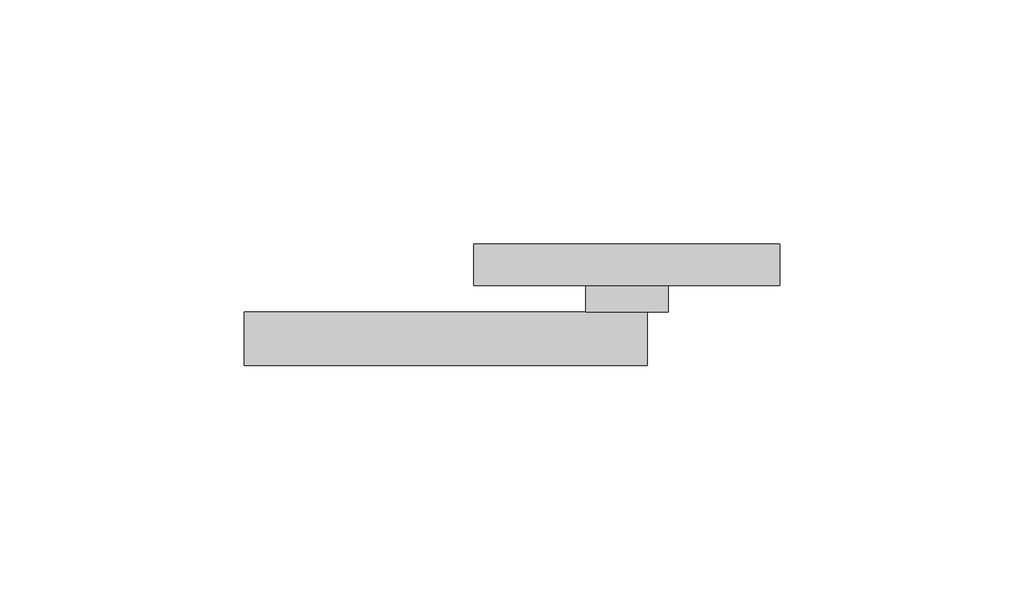
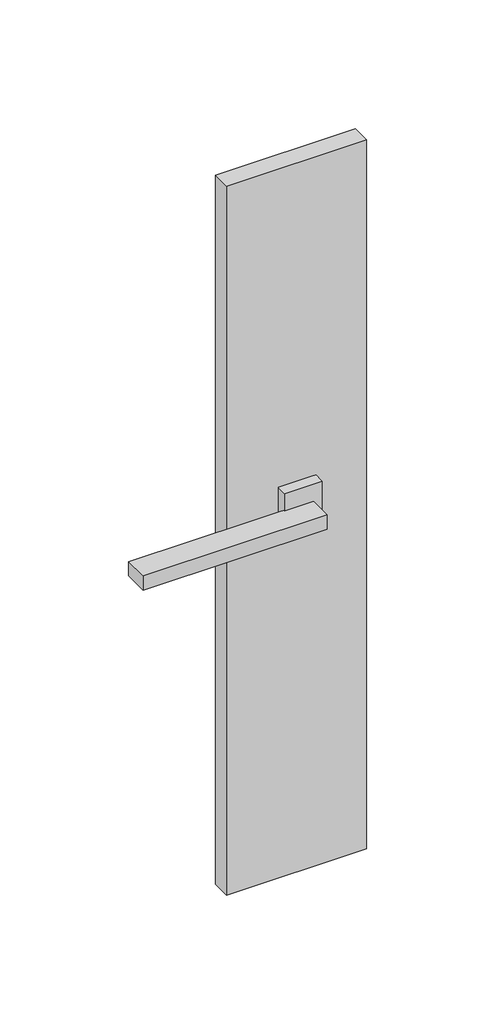
# One storey, part 2 of 2: 3 proxies.
"""IFC4 building model written with IfcOpenShell, lengths in millimetres."""

import ifcopenshell
import ifcopenshell.guid

model = None  # the IFC model being written
_history = None  # IfcOwnerHistory: only IFC2X3 demands one
_inside = {}  # id of a spatial element -> (the spatial element, [elements in it])
_under = {}  # id of a project, library or spatial element -> (it, [spatial elements below it])
_declared = {}  # id of a project -> (the project, [libraries it declares])
_typed = {}  # id of a type object -> (the type object, [elements of that type])
_made_of = {}  # id of a material, layer set ... -> (it, [elements and type objects made of it])


def new_model(schema):
    """Start an empty IFC model of exactly this schema.

    Asked for "IFC4X3", IfcOpenShell would pick the latest addendum, in which some entities
    have other attributes; the version numbers below select the first issue.
    IFC2X3 requires an IfcOwnerHistory on every rooted entity: one is made here for all.
    """
    global model, _history
    if schema == "IFC4X3":
        model = ifcopenshell.file(schema_version=(4, 3, 0, 0))
    else:
        model = ifcopenshell.file(schema=schema)
    _inside.clear()
    _under.clear()
    _declared.clear()
    _typed.clear()
    _made_of.clear()
    _history = None
    if model.schema == "IFC2X3":
        org = make("IfcOrganization", Name="unknown")
        user = make(
            "IfcPersonAndOrganization",
            ThePerson=make("IfcPerson", FamilyName="unknown"),
            TheOrganization=org,
        )
        app = make(
            "IfcApplication",
            ApplicationDeveloper=org,
            Version="unknown",
            ApplicationFullName="unknown",
            ApplicationIdentifier="unknown",
        )
        _history = make(
            "IfcOwnerHistory",
            OwningUser=user,
            OwningApplication=app,
            ChangeAction="ADDED",
            CreationDate=0,
        )
    return model


def make(cls, **values):
    """One entity of the class cls with the attributes given. An attribute that is None is left unset."""
    return model.create_entity(
        cls, **{name: value for name, value in values.items() if value is not None}
    )


def rooted(cls, **values):
    """An entity with a GlobalId (a new one), such as an element, a storey or a relation."""
    return make(cls, GlobalId=ifcopenshell.guid.new(), OwnerHistory=_history, **values)


def si_unit(unit_type, name, prefix=None):
    """IfcSIUnit, for example si_unit("LENGTHUNIT", "METRE", prefix="MILLI")."""
    return make("IfcSIUnit", UnitType=unit_type, Prefix=prefix, Name=name)


def assignment(units):
    """IfcUnitAssignment: the units of a project."""
    return None if units is None else make("IfcUnitAssignment", Units=units)


def point(xyz):
    """IfcCartesianPoint."""
    return None if xyz is None else make("IfcCartesianPoint", Coordinates=xyz)


def direction(xyz):
    """IfcDirection."""
    return None if xyz is None else make("IfcDirection", DirectionRatios=xyz)


def frame(location, z_axis=None, x_axis=None):
    """IfcAxis2Placement3D, a coordinate frame: its origin and axes. An axis left out is left unset."""
    return make(
        "IfcAxis2Placement3D",
        Location=point(location),
        Axis=direction(z_axis),
        RefDirection=direction(x_axis),
    )


def origin():
    """The frame at (0, 0, 0) with its axes left unset."""
    return frame((0.0, 0.0, 0.0))


def place(relative_to, where):
    """IfcLocalPlacement: puts the frame where relative to a parent placement (None: the world)."""
    return make(
        "IfcLocalPlacement", PlacementRelTo=relative_to, RelativePlacement=where
    )


def context(
    kind, dimensions, precision=None, world=None, true_north=None, identifier=None
):
    """IfcGeometricRepresentationContext, for example the 3D "Model" context."""
    return make(
        "IfcGeometricRepresentationContext",
        ContextIdentifier=identifier,
        ContextType=kind,
        CoordinateSpaceDimension=dimensions,
        Precision=precision,
        WorldCoordinateSystem=world,
        TrueNorth=true_north,
    )


def project(units=None, contexts=None):
    """IfcProject with its units and contexts."""
    return rooted(
        "IfcProject",
        Name="project",
        RepresentationContexts=contexts,
        UnitsInContext=assignment(units),
    )


def spatial(cls, under=None, at=None, **own):
    """A site, building, storey or space (cls), placed at a placement, below another one or the project."""
    s = rooted(cls, ObjectPlacement=at, **own)
    if under is not None:
        _under.setdefault(under.id(), (under, []))[1].append(s)
    return s


def polyline(points):
    """IfcPolyline through the points."""
    return make("IfcPolyline", Points=[point(p) for p in points])


def outline(outer, holes=None, kind="AREA"):
    """IfcArbitraryClosedProfileDef: a profile drawn as a closed curve; with holes, ...WithVoids."""
    if holes is None:
        return make("IfcArbitraryClosedProfileDef", ProfileType=kind, OuterCurve=outer)
    return make(
        "IfcArbitraryProfileDefWithVoids",
        ProfileType=kind,
        OuterCurve=outer,
        InnerCurves=holes,
    )


def extrude(swept, where, along, depth):
    """IfcExtrudedAreaSolid: the profile swept, set in the frame where, extruded along a direction by depth."""
    return make(
        "IfcExtrudedAreaSolid",
        SweptArea=swept,
        Position=where,
        ExtrudedDirection=direction(along),
        Depth=depth,
    )


def shape(context_of_items, identifier, shape_type, items):
    """IfcShapeRepresentation: the items that make up one representation, for example the "Body"."""
    return make(
        "IfcShapeRepresentation",
        ContextOfItems=context_of_items,
        RepresentationIdentifier=identifier,
        RepresentationType=shape_type,
        Items=items,
    )


def source(mapping_origin, context_of_items, identifier, shape_type, items):
    """IfcRepresentationMap: a shape defined once, which mapped items show again and again."""
    return make(
        "IfcRepresentationMap",
        MappingOrigin=mapping_origin,
        MappedRepresentation=shape(context_of_items, identifier, shape_type, items),
    )


def transform(
    local_origin,
    x_axis=None,
    y_axis=None,
    z_axis=None,
    scale=None,
    scale2=None,
    scale3=None,
    uniform=True,
):
    """IfcCartesianTransformationOperator3D, or its non-uniform kind. x_axis, y_axis, z_axis: its Axis1, 2, 3."""
    if uniform:
        return make(
            "IfcCartesianTransformationOperator3D",
            Axis1=direction(x_axis),
            Axis2=direction(y_axis),
            LocalOrigin=point(local_origin),
            Scale=scale,
            Axis3=direction(z_axis),
        )
    return make(
        "IfcCartesianTransformationOperator3DnonUniform",
        Axis1=direction(x_axis),
        Axis2=direction(y_axis),
        LocalOrigin=point(local_origin),
        Scale=scale,
        Axis3=direction(z_axis),
        Scale2=scale2,
        Scale3=scale3,
    )


def mapped(mapping_source, mapping_target):
    """IfcMappedItem: shows the shape of a source again, moved by a transform."""
    return make(
        "IfcMappedItem", MappingSource=mapping_source, MappingTarget=mapping_target
    )


def made_of(thing, what):
    """Note that an element or type object is made of a material, layer set ...; save() writes the relation."""
    if what is not None:
        _made_of.setdefault(what.id(), (what, []))[1].append(thing)
    return thing


def element(
    cls,
    number,
    at=None,
    inside=None,
    cuts=None,
    type_object=None,
    material=None,
    context=None,
    identifier="Body",
    shape_type=None,
    held_by="IfcProductDefinitionShape",
    body=None,
    shapes=None,
    **own,
):
    """One element of the class cls, such as IfcWall. Its Tag is "e" and its number.

    at: its placement. inside: the storey or other place that contains it. cuts: it is an
    opening in that element (IfcRelVoidsElement). A single representation is given by context,
    identifier, shape_type and body (its items); several are given by shapes. held_by: the class
    of the entity that holds the representations. save() writes the other relations.
    """
    e = rooted(cls, Tag="e%d" % number, ObjectPlacement=at, **own)
    if body is not None:
        shapes = [shape(context, identifier, shape_type, body)]
    if shapes is not None:
        e.Representation = make(held_by, Representations=shapes)
    if inside is not None:
        _inside.setdefault(inside.id(), (inside, []))[1].append(e)
    if cuts is not None:
        rooted(
            "IfcRelVoidsElement", RelatingBuildingElement=cuts, RelatedOpeningElement=e
        )
    if type_object is not None:
        _typed.setdefault(type_object.id(), (type_object, []))[1].append(e)
    return made_of(e, material)


def aggregate(whole, parts):
    """IfcRelAggregates: a whole, such as a stair, and the parts it consists of."""
    return rooted("IfcRelAggregates", RelatingObject=whole, RelatedObjects=parts)


def save(model, path):
    """Write the relations noted so far, then the file.

    IfcRelAggregates (storeys below a building ...), IfcRelContainedInSpatialStructure (elements
    in a storey), IfcRelDefinesByType, IfcRelAssociatesMaterial and IfcRelDeclares: one each for
    every whole, place, type object, material and project.
    """
    for whole, parts in _under.values():
        aggregate(whole, parts)
    for where, things in _inside.values():
        rooted(
            "IfcRelContainedInSpatialStructure",
            RelatedElements=things,
            RelatingStructure=where,
        )
    for kind, things in _typed.values():
        rooted("IfcRelDefinesByType", RelatedObjects=things, RelatingType=kind)
    for what, things in _made_of.values():
        rooted("IfcRelAssociatesMaterial", RelatedObjects=things, RelatingMaterial=what)
    for by, libraries in _declared.values():
        rooted("IfcRelDeclares", RelatingContext=by, RelatedDefinitions=libraries)
    model.write(path)


def handle_handle_0b1f2b2e(model_context):
    return source(origin(), model_context, "Body", "SweptSolid", [
        extrude(outline(polyline([(-288710.4394122, 3091.3789903), (-288710.4394122, 3082.911386), (-288773.0678596, 3082.911386), (-288773.0678596, 3091.3789903), (-288710.4394122, 3091.3789903)])), frame((0.0, 0.0, -2637.5370632), z_axis=(0.0, 0.0, 1.0), x_axis=(1.0, 0.0, 0.0)), (0.0, 0.0, 1.0), 335.7924078),
    ])


def handle1_handle_f3bf01bf(model_context):
    return source(origin(), model_context, "Body", "SweptSolid", [
        extrude(outline(polyline([(-288733.2708772, 3092.5831072), (-288733.2708772, 3087.210612), (-288750.1264397, 3087.210612), (-288750.1264397, 3092.5831072), (-288733.2708772, 3092.5831072)])), frame((0.0, 0.0, -2474.5049045), z_axis=(0.0, 0.0, 1.0), x_axis=(1.0, 0.0, 0.0)), (0.0, 0.0, 1.0), 22.2809353),
    ])


def handle2_handle_20ed6538(model_context):
    return source(origin(), model_context, "Body", "SweptSolid", [
        extrude(outline(polyline([(-288733.2708772, 3096.5349068), (-288733.2708772, 3085.5721628), (-288815.771659, 3085.5721628), (-288815.771659, 3096.5349068), (-288733.2708772, 3096.5349068)])), frame((0.0, 0.0, -2466.7271342), z_axis=(0.0, 0.0, 1.0), x_axis=(1.0, 0.0, 0.0)), (0.0, 0.0, 1.0), 6.6509522),
    ])


model = new_model("IFC4")

# Units and contexts
model_context = context("Model", 3, world=origin())
ifc_project = project(units=[si_unit("LENGTHUNIT", "METRE", prefix="MILLI")], contexts=[model_context])

# Site, building, storey
site = spatial("IfcSite", under=ifc_project)
building = spatial("IfcBuilding", under=site)
storey = spatial("IfcBuildingStorey", under=building, Elevation=-2743.2)

# Proxies
placement = place(None, origin())
handle_handle_shape = handle_handle_0b1f2b2e(model_context)
element("IfcBuildingElementProxy", 1, Name="handle : handle", ObjectType="handle : handle", at=placement, inside=storey, context=model_context, shape_type="MappedRepresentation", body=[
    mapped(handle_handle_shape, transform((175.0133863, 55.5901587, 0.0), x_axis=(1.0, 0.0, 0.0), y_axis=(0.0, 1.0, 0.0), z_axis=(0.0, 0.0, 1.0))),
])
handle1_handle_shape = handle1_handle_f3bf01bf(model_context)
element("IfcBuildingElementProxy", 2, Name="handle1 : handle", ObjectType="handle1 : handle", at=placement, inside=storey, context=model_context, shape_type="MappedRepresentation", body=[
    mapped(handle1_handle_shape, transform((175.0133863, 45.9184375, 0.0), x_axis=(1.0, 0.0, 0.0), y_axis=(0.0, 1.0, 0.0), z_axis=(0.0, 0.0, 1.0))),
])
handle2_handle_shape = handle2_handle_20ed6538(model_context)
element("IfcBuildingElementProxy", 3, Name="handle2 : handle", ObjectType="handle2 : handle", at=placement, inside=storey, context=model_context, shape_type="MappedRepresentation", body=[
    mapped(handle2_handle_shape, transform((170.7945655, 36.5941427, 0.0), x_axis=(1.0, 0.0, 0.0), y_axis=(0.0, 1.0, 0.0), z_axis=(0.0, 0.0, 1.0))),
])

save(model, "model.ifc")
